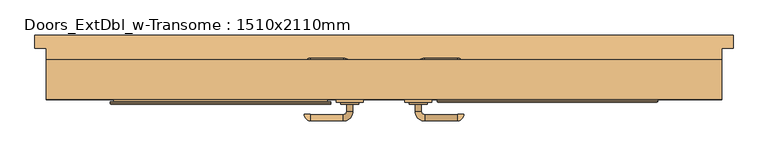
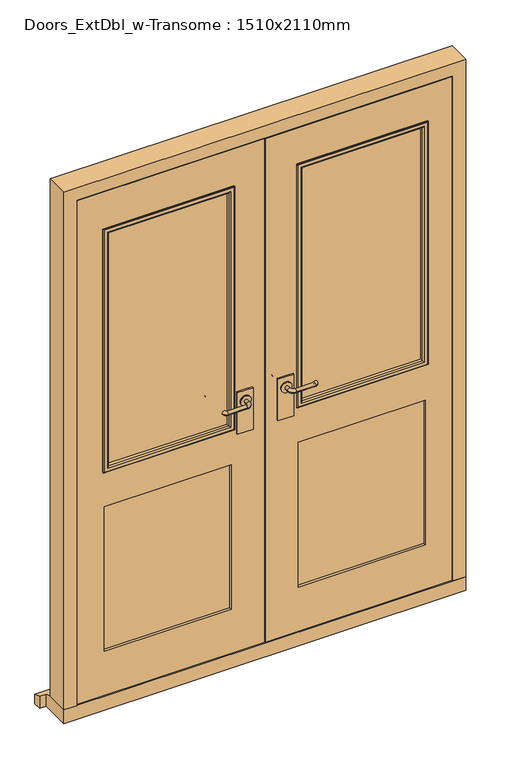
"""IFC4 building model written with IfcOpenShell, lengths in millimetres: door geometry, Doors_ExtDbl_w-Transome : 1510x2110mm."""

from ifc_helpers import new_model, si_unit, point, frame, frame_2d, origin, place, context, project, spatial, polyline, circle_curve, ellipse_curve, trimmed, segment, composite_curve, outline, extrude, faceted_brep, source, transform, mapped, element, save
from ifc_brep_helpers import plane_surface, cylinder_surface, revolved_surface, advanced_brep


def doors_extdbl_w_transome_1510x2110mm_726bfd0a(model_context):
    return source(origin(), model_context, "Body", "SolidModel", [
        extrude(outline(composite_curve([segment(trimmed(circle_curve(frame_2d((1050.0, -76.5)), 20.0), [point((1050.0, -56.5))], [point((1050.0, -96.5))], False, "CARTESIAN"), True, "CONTINUOUS"), segment(trimmed(circle_curve(frame_2d((1050.0, -76.5)), 20.0), [point((1050.0, -96.5))], [point((1050.0, -56.5))], False, "CARTESIAN"), True, "CONTINUOUS")], self_intersect=False)), frame((0.0, 30.4570105, 0.0), z_axis=(0.0, 1.0, 0.0), x_axis=(0.0, 0.0, 1.0)), (0.0, 0.0, 1.0), 4.5929895),
        advanced_brep(
        [(-83.5, 30.4570105, 1050.0), (-69.5, 30.4570105, 1050.0), (-83.5, 15.05, 1050.0), (-69.5, 15.05, 1050.0), (-91.5, -6.95, 1050.0), (-91.5, 7.05, 1050.0), (-163.5, 7.05, 1050.0), (-163.5, -6.95, 1050.0), (-164.5, 8.05, 1050.0), (-178.5, 8.05, 1050.0)],
        [
            (0, 1, circle_curve(frame((-76.5, 30.4570105, 1050.0), z_axis=(0.0, 1.0, 0.0), x_axis=(1.0, 0.0, 0.0)), 7.0)),
            (1, 0, circle_curve(frame((-76.5, 30.4570105, 1050.0), z_axis=(0.0, 1.0, 0.0), x_axis=(1.0, 0.0, 0.0)), 7.0)),
            (0, 2),
            (2, 3, circle_curve(frame((-76.5, 15.05, 1050.0), z_axis=(0.0, 1.0, 0.0), x_axis=(1.0, 0.0, 0.0)), 7.0)),
            (3, 1),
            (3, 2, circle_curve(frame((-76.5, 15.05, 1050.0), z_axis=(0.0, 1.0, 0.0), x_axis=(1.0, 0.0, 0.0)), 7.0)),
            (4, 3, circle_curve(frame((-91.5, 15.05, 1050.0), z_axis=(0.0, 0.0, 1.0), x_axis=(1.0, 0.0, 0.0)), 22.0)),
            (2, 5, circle_curve(frame((-91.5, 15.05, 1050.0), z_axis=(0.0, 0.0, -1.0), x_axis=(1.0, 0.0, 0.0)), 8.0)),
            (5, 4, circle_curve(frame((-91.5, 0.05, 1050.0), z_axis=(1.0, 0.0, 0.0), x_axis=(0.0, -1.0, 0.0)), 7.0)),
            (4, 5, circle_curve(frame((-91.5, 0.05, 1050.0), z_axis=(1.0, 0.0, 0.0), x_axis=(0.0, -1.0, 0.0)), 7.0)),
            (5, 6),
            (6, 7, circle_curve(frame((-163.5, 0.05, 1050.0), z_axis=(1.0, 0.0, 0.0), x_axis=(0.0, -1.0, 0.0)), 7.0)),
            (7, 4),
            (7, 6, circle_curve(frame((-163.5, 0.05, 1050.0), z_axis=(1.0, 0.0, 0.0), x_axis=(0.0, -1.0, 0.0)), 7.0)),
            (8, 9, circle_curve(frame((-171.5, 8.05, 1050.0), z_axis=(0.0, 1.0, 0.0), x_axis=(-1.0, 0.0, 0.0)), 7.0)),
            (9, 8, circle_curve(frame((-171.5, 8.05, 1050.0), z_axis=(0.0, 1.0, 0.0), x_axis=(-1.0, 0.0, 0.0)), 7.0)),
            (9, 7, circle_curve(frame((-163.5, 8.05, 1050.0), z_axis=(0.0, 0.0, 1.0), x_axis=(0.0, -1.0, 0.0)), 15.0)),
            (6, 8, circle_curve(frame((-163.5, 8.05, 1050.0), z_axis=(0.0, 0.0, -1.0), x_axis=(0.0, -1.0, 0.0)), 1.0)),
        ],
        [
            plane_surface(frame((-76.5, 30.4570105, 1050.0), z_axis=(0.0, 1.0, 0.0), x_axis=(0.0, 0.0, 1.0))),
            cylinder_surface(frame((-76.5, 30.4570105, 1050.0), z_axis=(0.0, 1.0, 0.0), x_axis=(1.0, 0.0, 0.0)), 7.0),
            revolved_surface(trimmed(ellipse_curve(frame((-76.5, 15.05, 1050.0), z_axis=(0.0, 1.0, 0.0), x_axis=(1.0, 0.0, 0.0)), 7.0, 7.0), [point((-83.5, 15.05, 1050.0))], [point((-69.5, 15.05, 1050.0))], True, "CARTESIAN"), (-91.5, 15.05, 1050.0), (0.0, 0.0, -1.0)),
            revolved_surface(trimmed(ellipse_curve(frame((-76.5, 15.05, 1050.0), z_axis=(0.0, 1.0, 0.0), x_axis=(1.0, 0.0, 0.0)), 7.0, 7.0), [point((-69.5, 15.05, 1050.0))], [point((-83.5, 15.05, 1050.0))], True, "CARTESIAN"), (-91.5, 15.05, 1050.0), (0.0, 0.0, -1.0)),
            cylinder_surface(frame((-91.5, 0.05, 1050.0), z_axis=(1.0, 0.0, 0.0), x_axis=(0.0, -1.0, 0.0)), 7.0),
            plane_surface(frame((-171.5, 8.05, 1050.0), z_axis=(0.0, 1.0, 0.0), x_axis=(0.0, 0.0, 1.0))),
            revolved_surface(trimmed(ellipse_curve(frame((-163.5, 0.05, 1050.0), z_axis=(1.0, 0.0, 0.0), x_axis=(0.0, -1.0, 0.0)), 7.0, 7.0), [point((-163.5, 7.05, 1050.0))], [point((-163.5, -6.95, 1050.0))], True, "CARTESIAN"), (-163.5, 8.05, 1050.0), (0.0, 0.0, -1.0)),
            revolved_surface(trimmed(ellipse_curve(frame((-163.5, 0.05, 1050.0), z_axis=(1.0, 0.0, 0.0), x_axis=(0.0, -1.0, 0.0)), 7.0, 7.0), [point((-163.5, -6.95, 1050.0))], [point((-163.5, 7.05, 1050.0))], True, "CARTESIAN"), (-163.5, 8.05, 1050.0), (0.0, 0.0, -1.0)),
        ],
        [
            (0, [[1, 2]]),
            (1, [[-1, 3, 4, 5]]),
            (1, [[-2, -5, 6, -3]]),
            (2, [[7, -4, 8, 9]]),
            (3, [[-8, -6, -7, 10]]),
            (4, [[-9, 11, 12, 13]]),
            (4, [[-10, -13, 14, -11]]),
            (5, [[15, 16]]),
            (6, [[17, -12, 18, -16]]),
            (7, [[-18, -14, -17, -15]]),
        ],
    ),
        extrude(outline(polyline([(-106.5, 41.05), (-46.5, 41.05), (-46.5, 35.05), (-106.5, 35.05), (-106.5, 41.05)])), frame((0.0, 0.0, 925.0), z_axis=(0.0, 0.0, 1.0), x_axis=(1.0, 0.0, 0.0)), (0.0, 0.0, 1.0), 165.0),
        extrude(outline(composite_curve([segment(trimmed(circle_curve(frame_2d((1050.0, 76.5)), 20.0), [point((1050.0, 56.5))], [point((1050.0, 96.5))], False, "CARTESIAN"), True, "CONTINUOUS"), segment(trimmed(circle_curve(frame_2d((1050.0, 76.5)), 20.0), [point((1050.0, 96.5))], [point((1050.0, 56.5))], False, "CARTESIAN"), True, "CONTINUOUS")], self_intersect=False)), frame((0.0, 30.4570105, 0.0), z_axis=(0.0, 1.0, 0.0), x_axis=(0.0, 0.0, 1.0)), (0.0, 0.0, 1.0), 4.5929895),
        advanced_brep(
        [(83.5, 30.4570105, 1050.0), (69.5, 30.4570105, 1050.0), (69.5, 15.05, 1050.0), (83.5, 15.05, 1050.0), (91.5, -6.95, 1050.0), (91.5, 7.05, 1050.0), (163.5, -6.95, 1050.0), (163.5, 7.05, 1050.0), (164.5, 8.05, 1050.0), (178.5, 8.05, 1050.0)],
        [
            (0, 1, circle_curve(frame((76.5, 30.4570105, 1050.0), z_axis=(0.0, 1.0, 0.0), x_axis=(-1.0, 0.0, 0.0)), 7.0)),
            (1, 0, circle_curve(frame((76.5, 30.4570105, 1050.0), z_axis=(0.0, 1.0, 0.0), x_axis=(-1.0, 0.0, 0.0)), 7.0)),
            (1, 2),
            (2, 3, circle_curve(frame((76.5, 15.05, 1050.0), z_axis=(0.0, 1.0, 0.0), x_axis=(-1.0, 0.0, 0.0)), 7.0)),
            (3, 0),
            (3, 2, circle_curve(frame((76.5, 15.05, 1050.0), z_axis=(0.0, 1.0, 0.0), x_axis=(-1.0, 0.0, 0.0)), 7.0)),
            (4, 5, circle_curve(frame((91.5, 0.05, 1050.0), z_axis=(-1.0, 0.0, 0.0), x_axis=(0.0, -1.0, 0.0)), 7.0)),
            (5, 3, circle_curve(frame((91.5, 15.05, 1050.0), z_axis=(0.0, 0.0, -1.0), x_axis=(-1.0, 0.0, 0.0)), 8.0)),
            (2, 4, circle_curve(frame((91.5, 15.05, 1050.0), z_axis=(0.0, 0.0, 1.0), x_axis=(-1.0, 0.0, 0.0)), 22.0)),
            (5, 4, circle_curve(frame((91.5, 0.05, 1050.0), z_axis=(-1.0, 0.0, 0.0), x_axis=(0.0, -1.0, 0.0)), 7.0)),
            (4, 6),
            (6, 7, circle_curve(frame((163.5, 0.05, 1050.0), z_axis=(-1.0, 0.0, 0.0), x_axis=(0.0, -1.0, 0.0)), 7.0)),
            (7, 5),
            (7, 6, circle_curve(frame((163.5, 0.05, 1050.0), z_axis=(-1.0, 0.0, 0.0), x_axis=(0.0, -1.0, 0.0)), 7.0)),
            (8, 9, circle_curve(frame((171.5, 8.05, 1050.0), z_axis=(0.0, 1.0, 0.0), x_axis=(1.0, 0.0, 0.0)), 7.0)),
            (9, 8, circle_curve(frame((171.5, 8.05, 1050.0), z_axis=(0.0, 1.0, 0.0), x_axis=(1.0, 0.0, 0.0)), 7.0)),
            (8, 7, circle_curve(frame((163.5, 8.05, 1050.0), z_axis=(0.0, 0.0, -1.0), x_axis=(0.0, -1.0, 0.0)), 1.0)),
            (6, 9, circle_curve(frame((163.5, 8.05, 1050.0), z_axis=(0.0, 0.0, 1.0), x_axis=(0.0, -1.0, 0.0)), 15.0)),
        ],
        [
            plane_surface(frame((76.5, 30.4570105, 1050.0), z_axis=(0.0, 1.0, 0.0), x_axis=(0.0, 0.0, 1.0))),
            cylinder_surface(frame((76.5, 30.4570105, 1050.0), z_axis=(0.0, 1.0, 0.0), x_axis=(-1.0, 0.0, 0.0)), 7.0),
            revolved_surface(trimmed(ellipse_curve(frame((76.5, 15.05, 1050.0), z_axis=(0.0, -1.0, 0.0), x_axis=(-1.0, 0.0, 0.0)), 7.0, 7.0), [point((83.5, 15.05, 1050.0))], [point((69.5, 15.05, 1050.0))], True, "CARTESIAN"), (91.5, 15.05, 1050.0), (0.0, 0.0, -1.0)),
            revolved_surface(trimmed(ellipse_curve(frame((76.5, 15.05, 1050.0), z_axis=(0.0, -1.0, 0.0), x_axis=(-1.0, 0.0, 0.0)), 7.0, 7.0), [point((69.5, 15.05, 1050.0))], [point((83.5, 15.05, 1050.0))], True, "CARTESIAN"), (91.5, 15.05, 1050.0), (0.0, 0.0, -1.0)),
            cylinder_surface(frame((91.5, 0.05, 1050.0), z_axis=(-1.0, 0.0, 0.0), x_axis=(0.0, -1.0, 0.0)), 7.0),
            plane_surface(frame((171.5, 8.05, 1050.0), z_axis=(0.0, 1.0, 0.0), x_axis=(0.0, 0.0, 1.0))),
            revolved_surface(trimmed(ellipse_curve(frame((163.5, 0.05, 1050.0), z_axis=(1.0, 0.0, 0.0), x_axis=(0.0, -1.0, 0.0)), 7.0, 7.0), [point((163.5, 7.05, 1050.0))], [point((163.5, -6.95, 1050.0))], True, "CARTESIAN"), (163.5, 8.05, 1050.0), (0.0, 0.0, -1.0)),
            revolved_surface(trimmed(ellipse_curve(frame((163.5, 0.05, 1050.0), z_axis=(1.0, 0.0, 0.0), x_axis=(0.0, -1.0, 0.0)), 7.0, 7.0), [point((163.5, -6.95, 1050.0))], [point((163.5, 7.05, 1050.0))], True, "CARTESIAN"), (163.5, 8.05, 1050.0), (0.0, 0.0, -1.0)),
        ],
        [
            (0, [[1, 2]]),
            (1, [[3, 4, 5, -2]]),
            (1, [[-5, 6, -3, -1]]),
            (2, [[7, 8, -4, 9]]),
            (3, [[10, -9, -6, -8]]),
            (4, [[11, 12, 13, -7]]),
            (4, [[-13, 14, -11, -10]]),
            (5, [[15, 16]]),
            (6, [[-15, 17, -12, 18]]),
            (7, [[-16, -18, -14, -17]]),
        ],
    ),
        extrude(outline(polyline([(106.5, 41.05), (106.5, 35.05), (46.5, 35.05), (46.5, 41.05), (106.5, 41.05)])), frame((0.0, 0.0, 925.0), z_axis=(0.0, 0.0, 1.0), x_axis=(1.0, 0.0, 0.0)), (0.0, 0.0, 1.0), 165.0),
        extrude(outline(composite_curve([segment(trimmed(circle_curve(frame_2d((1050.0, -76.5)), 20.0), [point((1050.0, -56.5))], [point((1050.0, -96.5))], False, "CARTESIAN"), True, "CONTINUOUS"), segment(trimmed(circle_curve(frame_2d((1050.0, -76.5)), 20.0), [point((1050.0, -96.5))], [point((1050.0, -56.5))], False, "CARTESIAN"), True, "CONTINUOUS")], self_intersect=False)), frame((0.0, 91.05, 0.0), z_axis=(0.0, 1.0, 0.0), x_axis=(0.0, 0.0, 1.0)), (0.0, 0.0, 1.0), 4.5929895),
        advanced_brep(
        [(-83.5, 95.6429895, 1050.0), (-69.5, 95.6429895, 1050.0), (-69.5, 111.05, 1050.0), (-83.5, 111.05, 1050.0), (-91.5, 133.05, 1050.0), (-91.5, 119.05, 1050.0), (-163.5, 133.05, 1050.0), (-163.5, 119.05, 1050.0), (-164.5, 118.05, 1050.0), (-178.5, 118.05, 1050.0)],
        [
            (0, 1, circle_curve(frame((-76.5, 95.6429895, 1050.0), z_axis=(0.0, -1.0, 0.0), x_axis=(1.0, 0.0, 0.0)), 7.0)),
            (1, 0, circle_curve(frame((-76.5, 95.6429895, 1050.0), z_axis=(0.0, -1.0, 0.0), x_axis=(1.0, 0.0, 0.0)), 7.0)),
            (1, 2),
            (2, 3, circle_curve(frame((-76.5, 111.05, 1050.0), z_axis=(0.0, -1.0, 0.0), x_axis=(1.0, 0.0, 0.0)), 7.0)),
            (3, 0),
            (3, 2, circle_curve(frame((-76.5, 111.05, 1050.0), z_axis=(0.0, -1.0, 0.0), x_axis=(1.0, 0.0, 0.0)), 7.0)),
            (4, 5, circle_curve(frame((-91.5, 126.05, 1050.0), z_axis=(1.0, 0.0, 0.0), x_axis=(0.0, 1.0, 0.0)), 7.0)),
            (5, 3, circle_curve(frame((-91.5, 111.05, 1050.0), z_axis=(0.0, 0.0, -1.0), x_axis=(1.0, 0.0, 0.0)), 8.0)),
            (2, 4, circle_curve(frame((-91.5, 111.05, 1050.0), z_axis=(0.0, 0.0, 1.0), x_axis=(1.0, 0.0, 0.0)), 22.0)),
            (5, 4, circle_curve(frame((-91.5, 126.05, 1050.0), z_axis=(1.0, 0.0, 0.0), x_axis=(0.0, 1.0, 0.0)), 7.0)),
            (4, 6),
            (6, 7, circle_curve(frame((-163.5, 126.05, 1050.0), z_axis=(1.0, 0.0, 0.0), x_axis=(0.0, 1.0, 0.0)), 7.0)),
            (7, 5),
            (7, 6, circle_curve(frame((-163.5, 126.05, 1050.0), z_axis=(1.0, 0.0, 0.0), x_axis=(0.0, 1.0, 0.0)), 7.0)),
            (8, 9, circle_curve(frame((-171.5, 118.05, 1050.0), z_axis=(0.0, -1.0, 0.0), x_axis=(-1.0, 0.0, 0.0)), 7.0)),
            (9, 8, circle_curve(frame((-171.5, 118.05, 1050.0), z_axis=(0.0, -1.0, 0.0), x_axis=(-1.0, 0.0, 0.0)), 7.0)),
            (8, 7, circle_curve(frame((-163.5, 118.05, 1050.0), z_axis=(0.0, 0.0, -1.0), x_axis=(0.0, 1.0, 0.0)), 1.0)),
            (6, 9, circle_curve(frame((-163.5, 118.05, 1050.0), z_axis=(0.0, 0.0, 1.0), x_axis=(0.0, 1.0, 0.0)), 15.0)),
        ],
        [
            plane_surface(frame((-76.5, 95.6429895, 1050.0), z_axis=(0.0, -1.0, 0.0), x_axis=(0.0, 0.0, 1.0))),
            cylinder_surface(frame((-76.5, 95.6429895, 1050.0), z_axis=(0.0, -1.0, 0.0), x_axis=(1.0, 0.0, 0.0)), 7.0),
            revolved_surface(trimmed(ellipse_curve(frame((-76.5, 111.05, 1050.0), z_axis=(0.0, 1.0, 0.0), x_axis=(1.0, 0.0, 0.0)), 7.0, 7.0), [point((-83.5, 111.05, 1050.0))], [point((-69.5, 111.05, 1050.0))], True, "CARTESIAN"), (-91.5, 111.05, 1050.0), (0.0, 0.0, -1.0)),
            revolved_surface(trimmed(ellipse_curve(frame((-76.5, 111.05, 1050.0), z_axis=(0.0, 1.0, 0.0), x_axis=(1.0, 0.0, 0.0)), 7.0, 7.0), [point((-69.5, 111.05, 1050.0))], [point((-83.5, 111.05, 1050.0))], True, "CARTESIAN"), (-91.5, 111.05, 1050.0), (0.0, 0.0, -1.0)),
            cylinder_surface(frame((-91.5, 126.05, 1050.0), z_axis=(1.0, 0.0, 0.0), x_axis=(0.0, 1.0, 0.0)), 7.0),
            plane_surface(frame((-171.5, 118.05, 1050.0), z_axis=(0.0, -1.0, 0.0), x_axis=(0.0, 0.0, 1.0))),
            revolved_surface(trimmed(ellipse_curve(frame((-163.5, 126.05, 1050.0), z_axis=(-1.0, 0.0, 0.0), x_axis=(0.0, 1.0, 0.0)), 7.0, 7.0), [point((-163.5, 119.05, 1050.0))], [point((-163.5, 133.05, 1050.0))], True, "CARTESIAN"), (-163.5, 118.05, 1050.0), (0.0, 0.0, -1.0)),
            revolved_surface(trimmed(ellipse_curve(frame((-163.5, 126.05, 1050.0), z_axis=(-1.0, 0.0, 0.0), x_axis=(0.0, 1.0, 0.0)), 7.0, 7.0), [point((-163.5, 133.05, 1050.0))], [point((-163.5, 119.05, 1050.0))], True, "CARTESIAN"), (-163.5, 118.05, 1050.0), (0.0, 0.0, -1.0)),
        ],
        [
            (0, [[1, 2]]),
            (1, [[3, 4, 5, -2]]),
            (1, [[-5, 6, -3, -1]]),
            (2, [[7, 8, -4, 9]]),
            (3, [[10, -9, -6, -8]]),
            (4, [[11, 12, 13, -7]]),
            (4, [[-13, 14, -11, -10]]),
            (5, [[15, 16]]),
            (6, [[-15, 17, -12, 18]]),
            (7, [[-16, -18, -14, -17]]),
        ],
    ),
        extrude(outline(polyline([(-106.5, 85.05), (-106.5, 91.05), (-46.5, 91.05), (-46.5, 85.05), (-106.5, 85.05)])), frame((0.0, 0.0, 925.0), z_axis=(0.0, 0.0, 1.0), x_axis=(1.0, 0.0, 0.0)), (0.0, 0.0, 1.0), 165.0),
        extrude(outline(composite_curve([segment(trimmed(circle_curve(frame_2d((1050.0, 76.5)), 20.0), [point((1050.0, 56.5))], [point((1050.0, 96.5))], False, "CARTESIAN"), True, "CONTINUOUS"), segment(trimmed(circle_curve(frame_2d((1050.0, 76.5)), 20.0), [point((1050.0, 96.5))], [point((1050.0, 56.5))], False, "CARTESIAN"), True, "CONTINUOUS")], self_intersect=False)), frame((0.0, 91.05, 0.0), z_axis=(0.0, 1.0, 0.0), x_axis=(0.0, 0.0, 1.0)), (0.0, 0.0, 1.0), 4.5929895),
        advanced_brep(
        [(83.5, 95.6429895, 1050.0), (69.5, 95.6429895, 1050.0), (83.5, 111.05, 1050.0), (69.5, 111.05, 1050.0), (91.5, 133.05, 1050.0), (91.5, 119.05, 1050.0), (163.5, 119.05, 1050.0), (163.5, 133.05, 1050.0), (164.5, 118.05, 1050.0), (178.5, 118.05, 1050.0)],
        [
            (0, 1, circle_curve(frame((76.5, 95.6429895, 1050.0), z_axis=(0.0, -1.0, 0.0), x_axis=(-1.0, 0.0, 0.0)), 7.0)),
            (1, 0, circle_curve(frame((76.5, 95.6429895, 1050.0), z_axis=(0.0, -1.0, 0.0), x_axis=(-1.0, 0.0, 0.0)), 7.0)),
            (0, 2),
            (2, 3, circle_curve(frame((76.5, 111.05, 1050.0), z_axis=(0.0, -1.0, 0.0), x_axis=(-1.0, 0.0, 0.0)), 7.0)),
            (3, 1),
            (3, 2, circle_curve(frame((76.5, 111.05, 1050.0), z_axis=(0.0, -1.0, 0.0), x_axis=(-1.0, 0.0, 0.0)), 7.0)),
            (4, 3, circle_curve(frame((91.5, 111.05, 1050.0), z_axis=(0.0, 0.0, 1.0), x_axis=(-1.0, 0.0, 0.0)), 22.0)),
            (2, 5, circle_curve(frame((91.5, 111.05, 1050.0), z_axis=(0.0, 0.0, -1.0), x_axis=(-1.0, 0.0, 0.0)), 8.0)),
            (5, 4, circle_curve(frame((91.5, 126.05, 1050.0), z_axis=(-1.0, 0.0, 0.0), x_axis=(0.0, 1.0, 0.0)), 7.0)),
            (4, 5, circle_curve(frame((91.5, 126.05, 1050.0), z_axis=(-1.0, 0.0, 0.0), x_axis=(0.0, 1.0, 0.0)), 7.0)),
            (5, 6),
            (6, 7, circle_curve(frame((163.5, 126.05, 1050.0), z_axis=(-1.0, 0.0, 0.0), x_axis=(0.0, 1.0, 0.0)), 7.0)),
            (7, 4),
            (7, 6, circle_curve(frame((163.5, 126.05, 1050.0), z_axis=(-1.0, 0.0, 0.0), x_axis=(0.0, 1.0, 0.0)), 7.0)),
            (8, 9, circle_curve(frame((171.5, 118.05, 1050.0), z_axis=(0.0, -1.0, 0.0), x_axis=(1.0, 0.0, 0.0)), 7.0)),
            (9, 8, circle_curve(frame((171.5, 118.05, 1050.0), z_axis=(0.0, -1.0, 0.0), x_axis=(1.0, 0.0, 0.0)), 7.0)),
            (9, 7, circle_curve(frame((163.5, 118.05, 1050.0), z_axis=(0.0, 0.0, 1.0), x_axis=(0.0, 1.0, 0.0)), 15.0)),
            (6, 8, circle_curve(frame((163.5, 118.05, 1050.0), z_axis=(0.0, 0.0, -1.0), x_axis=(0.0, 1.0, 0.0)), 1.0)),
        ],
        [
            plane_surface(frame((76.5, 95.6429895, 1050.0), z_axis=(0.0, -1.0, 0.0), x_axis=(0.0, 0.0, 1.0))),
            cylinder_surface(frame((76.5, 95.6429895, 1050.0), z_axis=(0.0, -1.0, 0.0), x_axis=(-1.0, 0.0, 0.0)), 7.0),
            revolved_surface(trimmed(ellipse_curve(frame((76.5, 111.05, 1050.0), z_axis=(0.0, -1.0, 0.0), x_axis=(-1.0, 0.0, 0.0)), 7.0, 7.0), [point((83.5, 111.05, 1050.0))], [point((69.5, 111.05, 1050.0))], True, "CARTESIAN"), (91.5, 111.05, 1050.0), (0.0, 0.0, -1.0)),
            revolved_surface(trimmed(ellipse_curve(frame((76.5, 111.05, 1050.0), z_axis=(0.0, -1.0, 0.0), x_axis=(-1.0, 0.0, 0.0)), 7.0, 7.0), [point((69.5, 111.05, 1050.0))], [point((83.5, 111.05, 1050.0))], True, "CARTESIAN"), (91.5, 111.05, 1050.0), (0.0, 0.0, -1.0)),
            cylinder_surface(frame((91.5, 126.05, 1050.0), z_axis=(-1.0, 0.0, 0.0), x_axis=(0.0, 1.0, 0.0)), 7.0),
            plane_surface(frame((171.5, 118.05, 1050.0), z_axis=(0.0, -1.0, 0.0), x_axis=(0.0, 0.0, 1.0))),
            revolved_surface(trimmed(ellipse_curve(frame((163.5, 126.05, 1050.0), z_axis=(-1.0, 0.0, 0.0), x_axis=(0.0, 1.0, 0.0)), 7.0, 7.0), [point((163.5, 119.05, 1050.0))], [point((163.5, 133.05, 1050.0))], True, "CARTESIAN"), (163.5, 118.05, 1050.0), (0.0, 0.0, -1.0)),
            revolved_surface(trimmed(ellipse_curve(frame((163.5, 126.05, 1050.0), z_axis=(-1.0, 0.0, 0.0), x_axis=(0.0, 1.0, 0.0)), 7.0, 7.0), [point((163.5, 133.05, 1050.0))], [point((163.5, 119.05, 1050.0))], True, "CARTESIAN"), (163.5, 118.05, 1050.0), (0.0, 0.0, -1.0)),
        ],
        [
            (0, [[1, 2]]),
            (1, [[-1, 3, 4, 5]]),
            (1, [[-2, -5, 6, -3]]),
            (2, [[7, -4, 8, 9]]),
            (3, [[-8, -6, -7, 10]]),
            (4, [[-9, 11, 12, 13]]),
            (4, [[-10, -13, 14, -11]]),
            (5, [[15, 16]]),
            (6, [[17, -12, 18, -16]]),
            (7, [[-18, -14, -17, -15]]),
        ],
    ),
        extrude(outline(polyline([(106.5, 85.05), (46.5, 85.05), (46.5, 91.05), (106.5, 91.05), (106.5, 85.05)])), frame((0.0, 0.0, 925.0), z_axis=(0.0, 0.0, 1.0), x_axis=(1.0, 0.0, 0.0)), (0.0, 0.0, 1.0), 165.0),
        faceted_brep([(684.5, 130.05, 54.5), (755.0, 130.05, 54.5), (755.0, 41.05, 54.5), (706.5, 41.05, 54.5), (706.5, 88.05, 54.5), (684.5, 88.05, 54.5), (684.5, 130.05, 2039.5), (-684.5, 130.05, 2039.5), (-684.5, 130.05, 54.5), (-755.0, 130.05, 54.5), (-755.0, 130.05, 2110.0), (755.0, 130.05, 2110.0), (755.0, 41.05, 2110.0), (-755.0, 41.05, 2110.0), (-755.0, 41.05, 54.5), (-706.5, 41.05, 54.5), (-706.5, 41.05, 2061.5), (706.5, 41.05, 2061.5), (706.5, 88.05, 2061.5), (-706.5, 88.05, 2061.5), (-706.5, 88.05, 54.5), (-684.5, 88.05, 54.5), (-684.5, 88.05, 2039.5), (684.5, 88.05, 2039.5)], [[[0, 1, 2, 3, 4, 5]], [[1, 0, 6, 7, 8, 9, 10, 11]], [[2, 1, 11, 12]], [[3, 2, 12, 13, 14, 15, 16, 17]], [[4, 3, 17, 18]], [[5, 4, 18, 19, 20, 21, 22, 23]], [[0, 5, 23, 6]], [[7, 22, 21, 8]], [[8, 21, 20, 15, 14, 9]], [[13, 10, 9, 14]], [[19, 16, 15, 20]], [[12, 11, 10, 13]], [[18, 17, 16, 19]], [[6, 23, 22, 7]]]),
        extrude(outline(polyline([(58.5, 703.5), (2058.5, 703.5), (2058.5, 1.5), (58.5, 1.5), (58.5, 703.5)]), holes=[polyline([(1908.5, 603.5), (958.5, 603.5), (958.5, 126.5), (1908.5, 126.5), (1908.5, 603.5)]), polyline([(808.5, 126.5), (808.5, 603.5), (233.5, 603.5), (233.5, 126.5), (808.5, 126.5)])]), frame((0.0, 41.05, 0.0), z_axis=(0.0, 1.0, 0.0), x_axis=(0.0, 0.0, 1.0)), (0.0, 0.0, 1.0), 44.0),
        extrude(outline(polyline([(58.5, -703.5), (58.5, -1.5), (2058.5, -1.5), (2058.5, -703.5), (58.5, -703.5)]), holes=[polyline([(1908.5, -126.5), (958.5, -126.5), (958.5, -603.5), (1908.5, -603.5), (1908.5, -126.5)]), polyline([(808.5, -603.5), (808.5, -126.5), (233.5, -126.5), (233.5, -603.5), (808.5, -603.5)])]), frame((0.0, 41.05, 0.0), z_axis=(0.0, 1.0, 0.0), x_axis=(0.0, 0.0, 1.0)), (0.0, 0.0, 1.0), 44.0),
        faceted_brep([(780.0, 185.05, 0.0), (780.0, 185.05, 38.5947221), (780.0, 155.05, 47.2703282), (780.0, 155.05, 0.0), (-780.0, 185.05, 38.5947221), (-780.0, 185.05, 0.0), (-780.0, 155.05, 0.0), (-780.0, 155.05, 47.2703282), (755.0, 155.05, 0.0), (755.0, 41.05, 0.0), (-755.0, 41.05, 0.0), (-755.0, 155.05, 0.0), (-755.0, 155.05, 47.2703282), (-755.0, 130.05, 54.5), (755.0, 130.05, 54.5), (755.0, 155.05, 47.2703282), (-755.0, 41.05, 54.5), (755.0, 41.05, 54.5)], [[[0, 1, 2, 3]], [[4, 5, 6, 7]], [[5, 0, 3, 8, 9, 10, 11, 6]], [[1, 0, 5, 4]], [[1, 4, 7, 12, 13, 14, 15, 2]], [[13, 16, 17, 14]], [[16, 10, 9, 17]], [[12, 11, 10, 16, 13]], [[11, 12, 7, 6]], [[8, 15, 14, 17, 9]], [[15, 8, 3, 2]]]),
        extrude(outline(polyline([(126.5, 75.05), (601.9390207, 75.05), (601.9390207, 51.05), (126.5, 51.05), (126.5, 75.05)])), frame((0.0, 0.0, 958.5), z_axis=(0.0, 0.0, 1.0), x_axis=(1.0, 0.0, 0.0)), (0.0, 0.0, 1.0), 950.0),
        extrude(outline(polyline([(-603.5, 75.05), (-126.5, 75.05), (-126.5, 51.05), (-603.5, 51.05), (-603.5, 75.05)])), frame((0.0, 0.0, 958.5), z_axis=(0.0, 0.0, 1.0), x_axis=(1.0, 0.0, 0.0)), (0.0, 0.0, 1.0), 950.0),
        extrude(outline(polyline([(126.5, 75.05), (603.5, 75.05), (603.5, 51.05), (126.5, 51.05), (126.5, 75.05)])), frame((0.0, 0.0, 233.5), z_axis=(0.0, 0.0, 1.0), x_axis=(1.0, 0.0, 0.0)), (0.0, 0.0, 1.0), 575.0),
        extrude(outline(polyline([(-603.5, 75.05), (-126.5, 75.05), (-126.5, 51.05), (-603.5, 51.05), (-603.5, 75.05)])), frame((0.0, 0.0, 233.5), z_axis=(0.0, 0.0, 1.0), x_axis=(1.0, 0.0, 0.0)), (0.0, 0.0, 1.0), 575.0),
        advanced_brep(
        [(118.5, 89.05, 950.5), (118.5, 85.05, 950.5), (118.5, 85.05, 1916.5), (118.5, 89.05, 1916.5), (120.5, 91.05, 952.5), (120.5, 91.05, 1914.5), (138.5, 86.05, 970.5), (133.5, 91.05, 965.5), (133.5, 91.05, 1901.5), (138.5, 86.05, 1896.5), (138.5, 75.05, 970.5), (138.5, 75.05, 1896.5), (126.5, 85.05, 958.5), (126.5, 75.05, 958.5), (126.5, 75.05, 1908.5), (126.5, 85.05, 1908.5), (611.5, 85.05, 1916.5), (611.5, 89.05, 1916.5), (609.5, 91.05, 1914.5), (596.5, 91.05, 1901.5), (591.5, 86.05, 1896.5), (591.5, 75.05, 1896.5), (603.5, 75.05, 1908.5), (603.5, 85.05, 1908.5), (611.5, 85.05, 950.5), (611.5, 89.05, 950.5), (609.5, 91.05, 952.5), (596.5, 91.05, 965.5), (591.5, 86.05, 970.5), (591.5, 75.05, 970.5), (603.5, 75.05, 958.5), (603.5, 85.05, 958.5)],
        [
            (0, 1),
            (1, 2),
            (2, 3),
            (3, 0),
            (4, 0, ellipse_curve(frame((120.5, 89.05, 952.5), z_axis=(-0.7071067811865474, 0.0, 0.7071067811865476), x_axis=(-0.7071067811865475, 0.0, -0.7071067811865476)), 2.8284271, 2.0)),
            (3, 5, ellipse_curve(frame((120.5, 89.05, 1914.5), z_axis=(-0.7071067811865476, 0.0, -0.7071067811865474), x_axis=(0.7071067811865474, 0.0, -0.7071067811865477)), 2.8284271, 2.0)),
            (5, 4),
            (6, 7, ellipse_curve(frame((133.5, 86.05, 965.5), z_axis=(-0.7071067811865474, 0.0, 0.7071067811865476), x_axis=(-0.7071067811865475, 0.0, -0.7071067811865476)), 7.0710678, 5.0)),
            (7, 8),
            (8, 9, ellipse_curve(frame((133.5, 86.05, 1901.5), z_axis=(-0.7071067811865476, 0.0, -0.7071067811865474), x_axis=(0.7071067811865474, 0.0, -0.7071067811865477)), 7.0710678, 5.0)),
            (9, 6),
            (10, 6),
            (9, 11),
            (11, 10),
            (12, 13),
            (13, 14),
            (14, 15),
            (15, 12),
            (2, 16),
            (16, 17),
            (17, 3),
            (17, 18, ellipse_curve(frame((609.5, 89.05, 1914.5), z_axis=(-0.7071067811865472, 0.0, 0.7071067811865477), x_axis=(-0.7071067811865479, 0.0, -0.7071067811865471)), 2.8284271, 2.0)),
            (18, 5),
            (8, 19),
            (19, 20, ellipse_curve(frame((596.5, 86.05, 1901.5), z_axis=(-0.7071067811865472, 0.0, 0.7071067811865477), x_axis=(-0.7071067811865479, 0.0, -0.7071067811865471)), 7.0710678, 5.0)),
            (20, 9),
            (20, 21),
            (21, 11),
            (14, 22),
            (22, 23),
            (23, 15),
            (16, 24),
            (24, 25),
            (25, 17),
            (25, 26, ellipse_curve(frame((609.5, 89.05, 952.5), z_axis=(0.7071067811865478, 0.0, 0.7071067811865472), x_axis=(-0.7071067811865471, 0.0, 0.7071067811865478)), 2.8284271, 2.0)),
            (26, 18),
            (19, 27),
            (27, 28, ellipse_curve(frame((596.5, 86.05, 965.5), z_axis=(0.7071067811865478, 0.0, 0.7071067811865472), x_axis=(-0.7071067811865471, 0.0, 0.7071067811865478)), 7.0710678, 5.0)),
            (28, 20),
            (28, 29),
            (29, 21),
            (22, 30),
            (30, 31),
            (31, 23),
            (24, 1),
            (0, 25),
            (4, 26),
            (7, 27),
            (6, 28),
            (10, 29),
            (13, 30),
            (12, 31),
        ],
        [
            plane_surface(frame((118.5, 85.05, 950.5), z_axis=(-1.0, 0.0, 0.0), x_axis=(0.0, 0.0, 1.0))),
            cylinder_surface(frame((120.5, 89.05, 958.5), z_axis=(0.0, 0.0, -1.0), x_axis=(-1.0, 0.0, 0.0)), 2.0),
            cylinder_surface(frame((133.5, 86.05, 958.5), z_axis=(0.0, 0.0, -1.0), x_axis=(-1.0, 0.0, 0.0)), 5.0),
            plane_surface(frame((138.5, 86.05, 970.5), z_axis=(1.0, 0.0, 0.0), x_axis=(0.0, 0.0, 1.0))),
            plane_surface(frame((126.5, 75.05, 958.5), z_axis=(-1.0, 0.0, 0.0), x_axis=(0.0, 0.0, 1.0))),
            plane_surface(frame((118.5, 85.05, 1916.5), z_axis=(0.0, 0.0, 1.0), x_axis=(1.0, 0.0, 0.0))),
            cylinder_surface(frame((126.5, 89.05, 1914.5), z_axis=(-1.0, 0.0, 0.0), x_axis=(0.0, 0.0, 1.0)), 2.0),
            cylinder_surface(frame((126.5, 86.05, 1901.5), z_axis=(-1.0, 0.0, 0.0), x_axis=(0.0, 0.0, 1.0)), 5.0),
            plane_surface(frame((138.5, 86.05, 1896.5), z_axis=(0.0, 0.0, -1.0), x_axis=(1.0, 0.0, 0.0))),
            plane_surface(frame((126.5, 75.05, 1908.5), z_axis=(0.0, 0.0, 1.0), x_axis=(1.0, 0.0, 0.0))),
            plane_surface(frame((611.5, 85.05, 1916.5), z_axis=(1.0, 0.0, 0.0), x_axis=(0.0, 0.0, -1.0))),
            cylinder_surface(frame((609.5, 89.05, 1908.5), z_axis=(0.0, 0.0, 1.0), x_axis=(1.0, 0.0, 0.0)), 2.0),
            cylinder_surface(frame((596.5, 86.05, 1908.5), z_axis=(0.0, 0.0, 1.0), x_axis=(1.0, 0.0, 0.0)), 5.0),
            plane_surface(frame((591.5, 86.05, 1896.5), z_axis=(-1.0, 0.0, 0.0), x_axis=(0.0, 0.0, -1.0))),
            plane_surface(frame((603.5, 75.05, 1908.5), z_axis=(1.0, 0.0, 0.0), x_axis=(0.0, 0.0, -1.0))),
            plane_surface(frame((611.5, 85.05, 950.5), z_axis=(0.0, 0.0, -1.0), x_axis=(-1.0, 0.0, 0.0))),
            cylinder_surface(frame((603.5, 89.05, 952.5), z_axis=(1.0, 0.0, 0.0), x_axis=(0.0, 0.0, -1.0)), 2.0),
            plane_surface(frame((609.5, 91.05, 952.5), z_axis=(0.0, 1.0, 0.0), x_axis=(-1.0, 0.0, 0.0))),
            cylinder_surface(frame((603.5, 86.05, 965.5), z_axis=(1.0, 0.0, 0.0), x_axis=(0.0, 0.0, -1.0)), 5.0),
            plane_surface(frame((591.5, 86.05, 970.5), z_axis=(0.0, 0.0, 1.0), x_axis=(-1.0, 0.0, 0.0))),
            plane_surface(frame((591.5, 75.05, 970.5), z_axis=(0.0, -1.0, 0.0), x_axis=(-1.0, 0.0, 0.0))),
            plane_surface(frame((603.5, 75.05, 958.5), z_axis=(0.0, 0.0, -1.0), x_axis=(-1.0, 0.0, 0.0))),
            plane_surface(frame((603.5, 85.05, 958.5), z_axis=(0.0, -1.0, 0.0), x_axis=(-1.0, 0.0, 0.0))),
        ],
        [
            (0, [[1, 2, 3, 4]]),
            (1, [[5, -4, 6, 7]]),
            (2, [[8, 9, 10, 11]]),
            (3, [[12, -11, 13, 14]]),
            (4, [[15, 16, 17, 18]]),
            (5, [[-3, 19, 20, 21]]),
            (6, [[-6, -21, 22, 23]]),
            (7, [[-10, 24, 25, 26]]),
            (8, [[-13, -26, 27, 28]]),
            (9, [[-17, 29, 30, 31]]),
            (10, [[-20, 32, 33, 34]]),
            (11, [[-22, -34, 35, 36]]),
            (12, [[-25, 37, 38, 39]]),
            (13, [[-27, -39, 40, 41]]),
            (14, [[-30, 42, 43, 44]]),
            (15, [[-33, 45, -1, 46]]),
            (16, [[-35, -46, -5, 47]]),
            (17, [[-23, -36, -47, -7], [48, -37, -24, -9]]),
            (18, [[-38, -48, -8, 49]]),
            (19, [[-40, -49, -12, 50]]),
            (20, [[51, -42, -29, -16], [-28, -41, -50, -14]]),
            (21, [[-43, -51, -15, 52]]),
            (22, [[-45, -32, -19, -2], [-31, -44, -52, -18]]),
        ],
    ),
        advanced_brep(
        [(603.5, 51.05, 1908.5), (603.5, 41.05, 1908.5), (603.5, 41.05, 958.5), (603.5, 51.05, 958.5), (591.5, 40.05, 1896.5), (591.5, 51.05, 1896.5), (591.5, 51.05, 970.5), (591.5, 40.05, 970.5), (596.5, 35.05, 1901.5), (596.5, 35.05, 965.5), (611.5, 37.05, 1916.5), (609.5, 35.05, 1914.5), (609.5, 35.05, 952.5), (611.5, 37.05, 950.5), (611.5, 41.05, 1916.5), (611.5, 41.05, 950.5), (126.5, 41.05, 958.5), (126.5, 51.05, 958.5), (138.5, 51.05, 970.5), (138.5, 40.05, 970.5), (133.5, 35.05, 965.5), (120.5, 35.05, 952.5), (118.5, 37.05, 950.5), (118.5, 41.05, 950.5), (126.5, 41.05, 1908.5), (126.5, 51.05, 1908.5), (138.5, 51.05, 1896.5), (138.5, 40.05, 1896.5), (133.5, 35.05, 1901.5), (120.5, 35.05, 1914.5), (118.5, 37.05, 1916.5), (118.5, 41.05, 1916.5)],
        [
            (0, 1),
            (1, 2),
            (2, 3),
            (3, 0),
            (4, 5),
            (5, 6),
            (6, 7),
            (7, 4),
            (8, 4, ellipse_curve(frame((596.5, 40.05, 1901.5), z_axis=(0.7071067811865519, 0.0, -0.707106781186543), x_axis=(0.707106781186543, 0.0, 0.7071067811865521)), 7.0710678, 5.0)),
            (7, 9, ellipse_curve(frame((596.5, 40.05, 965.5), z_axis=(0.707106781186543, 0.0, 0.707106781186552), x_axis=(-0.707106781186552, 0.0, 0.707106781186543)), 7.0710678, 5.0)),
            (9, 8),
            (10, 11, ellipse_curve(frame((609.5, 37.05, 1914.5), z_axis=(0.7071067811865519, 0.0, -0.707106781186543), x_axis=(0.707106781186543, 0.0, 0.7071067811865521)), 2.8284271, 2.0)),
            (11, 12),
            (12, 13, ellipse_curve(frame((609.5, 37.05, 952.5), z_axis=(0.707106781186543, 0.0, 0.707106781186552), x_axis=(-0.707106781186552, 0.0, 0.707106781186543)), 2.8284271, 2.0)),
            (13, 10),
            (14, 10),
            (13, 15),
            (15, 14),
            (2, 16),
            (16, 17),
            (17, 3),
            (6, 18),
            (18, 19),
            (19, 7),
            (19, 20, ellipse_curve(frame((133.5, 40.05, 965.5), z_axis=(0.7071067811865519, 0.0, -0.707106781186543), x_axis=(0.7071067811865432, 0.0, 0.7071067811865517)), 7.0710678, 5.0)),
            (20, 9),
            (12, 21),
            (21, 22, ellipse_curve(frame((120.5, 37.05, 952.5), z_axis=(0.7071067811865519, 0.0, -0.707106781186543), x_axis=(0.7071067811865432, 0.0, 0.7071067811865517)), 2.8284271, 2.0)),
            (22, 13),
            (22, 23),
            (23, 15),
            (16, 24),
            (24, 25),
            (25, 17),
            (18, 26),
            (26, 27),
            (27, 19),
            (27, 28, ellipse_curve(frame((133.5, 40.05, 1901.5), z_axis=(-0.7071067811865431, 0.0, -0.7071067811865518), x_axis=(0.7071067811865517, 0.0, -0.7071067811865432)), 7.0710678, 5.0)),
            (28, 20),
            (21, 29),
            (29, 30, ellipse_curve(frame((120.5, 37.05, 1914.5), z_axis=(-0.7071067811865431, 0.0, -0.7071067811865518), x_axis=(0.7071067811865517, 0.0, -0.7071067811865432)), 2.8284271, 2.0)),
            (30, 22),
            (30, 31),
            (31, 23),
            (31, 14),
            (1, 24),
            (0, 25),
            (5, 26),
            (4, 27),
            (8, 28),
            (11, 29),
            (10, 30),
        ],
        [
            plane_surface(frame((603.5, 41.05, 1908.5), z_axis=(1.0, 0.0, 0.0), x_axis=(0.0, 0.0, -1.0))),
            plane_surface(frame((591.5, 51.05, 1896.5), z_axis=(-1.0, 0.0, 0.0), x_axis=(0.0, 0.0, -1.0))),
            cylinder_surface(frame((596.5, 40.05, 1908.5), z_axis=(0.0, 0.0, 1.0), x_axis=(1.0, 0.0, 0.0)), 5.0),
            cylinder_surface(frame((609.5, 37.05, 1908.5), z_axis=(0.0, 0.0, 1.0), x_axis=(1.0, 0.0, 0.0)), 2.0),
            plane_surface(frame((611.5, 37.05, 1916.5), z_axis=(1.0, 0.0, 0.0), x_axis=(0.0, 0.0, -1.0))),
            plane_surface(frame((603.5, 41.05, 958.5), z_axis=(0.0, 0.0, -1.0), x_axis=(-1.0, 0.0, 0.0))),
            plane_surface(frame((591.5, 51.05, 970.5), z_axis=(0.0, 0.0, 1.0), x_axis=(-1.0, 0.0, 0.0))),
            cylinder_surface(frame((603.5, 40.05, 965.5), z_axis=(1.0, 0.0, 0.0), x_axis=(0.0, 0.0, -1.0)), 5.0),
            cylinder_surface(frame((603.5, 37.05, 952.5), z_axis=(1.0, 0.0, 0.0), x_axis=(0.0, 0.0, -1.0)), 2.0),
            plane_surface(frame((611.5, 37.05, 950.5), z_axis=(0.0, 0.0, -1.0), x_axis=(-1.0, 0.0, 0.0))),
            plane_surface(frame((126.5, 41.05, 958.5), z_axis=(-1.0, 0.0, 0.0), x_axis=(0.0, 0.0, 1.0))),
            plane_surface(frame((138.5, 51.05, 970.5), z_axis=(1.0, 0.0, 0.0), x_axis=(0.0, 0.0, 1.0))),
            cylinder_surface(frame((133.5, 40.05, 958.5), z_axis=(0.0, 0.0, -1.0), x_axis=(-1.0, 0.0, 0.0)), 5.0),
            cylinder_surface(frame((120.5, 37.05, 958.5), z_axis=(0.0, 0.0, -1.0), x_axis=(-1.0, 0.0, 0.0)), 2.0),
            plane_surface(frame((118.5, 37.05, 950.5), z_axis=(-1.0, 0.0, 0.0), x_axis=(0.0, 0.0, 1.0))),
            plane_surface(frame((118.5, 41.05, 1916.5), z_axis=(0.0, 1.0, 0.0), x_axis=(1.0, 0.0, 0.0))),
            plane_surface(frame((126.5, 41.05, 1908.5), z_axis=(0.0, 0.0, 1.0), x_axis=(1.0, 0.0, 0.0))),
            plane_surface(frame((126.5, 51.05, 1908.5), z_axis=(0.0, 1.0, 0.0), x_axis=(1.0, 0.0, 0.0))),
            plane_surface(frame((138.5, 51.05, 1896.5), z_axis=(0.0, 0.0, -1.0), x_axis=(1.0, 0.0, 0.0))),
            cylinder_surface(frame((126.5, 40.05, 1901.5), z_axis=(-1.0, 0.0, 0.0), x_axis=(0.0, 0.0, 1.0)), 5.0),
            plane_surface(frame((133.5, 35.05, 1901.5), z_axis=(0.0, -1.0, 0.0), x_axis=(1.0, 0.0, 0.0))),
            cylinder_surface(frame((126.5, 37.05, 1914.5), z_axis=(-1.0, 0.0, 0.0), x_axis=(0.0, 0.0, 1.0)), 2.0),
            plane_surface(frame((118.5, 37.05, 1916.5), z_axis=(0.0, 0.0, 1.0), x_axis=(1.0, 0.0, 0.0))),
        ],
        [
            (0, [[1, 2, 3, 4]]),
            (1, [[5, 6, 7, 8]]),
            (2, [[9, -8, 10, 11]]),
            (3, [[12, 13, 14, 15]]),
            (4, [[16, -15, 17, 18]]),
            (5, [[-3, 19, 20, 21]]),
            (6, [[-7, 22, 23, 24]]),
            (7, [[-10, -24, 25, 26]]),
            (8, [[-14, 27, 28, 29]]),
            (9, [[-17, -29, 30, 31]]),
            (10, [[-20, 32, 33, 34]]),
            (11, [[-23, 35, 36, 37]]),
            (12, [[-25, -37, 38, 39]]),
            (13, [[-28, 40, 41, 42]]),
            (14, [[-30, -42, 43, 44]]),
            (15, [[-31, -44, 45, -18], [46, -32, -19, -2]]),
            (16, [[-33, -46, -1, 47]]),
            (17, [[-21, -34, -47, -4], [48, -35, -22, -6]]),
            (18, [[-36, -48, -5, 49]]),
            (19, [[-38, -49, -9, 50]]),
            (20, [[51, -40, -27, -13], [-26, -39, -50, -11]]),
            (21, [[-41, -51, -12, 52]]),
            (22, [[-43, -52, -16, -45]]),
        ],
    ),
        advanced_brep(
        [(-126.5, 46.0, 1908.5), (-126.5, 36.0, 1908.5), (-126.5, 36.0, 958.5), (-126.5, 46.0, 958.5), (-138.5, 35.0, 1896.5), (-138.5, 46.0, 1896.5), (-138.5, 46.0, 970.5), (-138.5, 35.0, 970.5), (-133.5, 30.0, 1901.5), (-133.5, 30.0, 965.5), (-118.5, 32.0, 1916.5), (-120.5, 30.0, 1914.5), (-120.5, 30.0, 952.5), (-118.5, 32.0, 950.5), (-118.5, 36.0, 1916.5), (-118.5, 36.0, 950.5), (-603.5, 36.0, 958.5), (-603.5, 46.0, 958.5), (-591.5, 46.0, 970.5), (-591.5, 35.0, 970.5), (-596.5, 30.0, 965.5), (-609.5, 30.0, 952.5), (-611.5, 32.0, 950.5), (-611.5, 36.0, 950.5), (-603.5, 36.0, 1908.5), (-603.5, 46.0, 1908.5), (-591.5, 46.0, 1896.5), (-591.5, 35.0, 1896.5), (-596.5, 30.0, 1901.5), (-609.5, 30.0, 1914.5), (-611.5, 32.0, 1916.5), (-611.5, 36.0, 1916.5)],
        [
            (0, 1),
            (1, 2),
            (2, 3),
            (3, 0),
            (4, 5),
            (5, 6),
            (6, 7),
            (7, 4),
            (8, 4, ellipse_curve(frame((-133.5, 35.0, 1901.5), z_axis=(0.7071067811865475, 0.0, -0.7071067811865475), x_axis=(0.7071067811865474, 0.0, 0.7071067811865476)), 7.0710678, 5.0)),
            (7, 9, ellipse_curve(frame((-133.5, 35.0, 965.5), z_axis=(0.7071067811865475, 0.0, 0.7071067811865475), x_axis=(-0.7071067811865474, 0.0, 0.7071067811865476)), 7.0710678, 5.0)),
            (9, 8),
            (10, 11, ellipse_curve(frame((-120.5, 32.0, 1914.5), z_axis=(0.7071067811865475, 0.0, -0.7071067811865475), x_axis=(0.7071067811865474, 0.0, 0.7071067811865476)), 2.8284271, 2.0)),
            (11, 12),
            (12, 13, ellipse_curve(frame((-120.5, 32.0, 952.5), z_axis=(0.7071067811865475, 0.0, 0.7071067811865475), x_axis=(-0.7071067811865474, 0.0, 0.7071067811865476)), 2.8284271, 2.0)),
            (13, 10),
            (14, 10),
            (13, 15),
            (15, 14),
            (2, 16),
            (16, 17),
            (17, 3),
            (6, 18),
            (18, 19),
            (19, 7),
            (19, 20, ellipse_curve(frame((-596.5, 35.0, 965.5), z_axis=(0.7071067811865475, 0.0, -0.7071067811865475), x_axis=(0.7071067811865476, 0.0, 0.7071067811865474)), 7.0710678, 5.0)),
            (20, 9),
            (12, 21),
            (21, 22, ellipse_curve(frame((-609.5, 32.0, 952.5), z_axis=(0.7071067811865475, 0.0, -0.7071067811865475), x_axis=(0.7071067811865476, 0.0, 0.7071067811865474)), 2.8284271, 2.0)),
            (22, 13),
            (22, 23),
            (23, 15),
            (16, 24),
            (24, 25),
            (25, 17),
            (18, 26),
            (26, 27),
            (27, 19),
            (27, 28, ellipse_curve(frame((-596.5, 35.0, 1901.5), z_axis=(-0.7071067811865475, 0.0, -0.7071067811865475), x_axis=(0.7071067811865474, 0.0, -0.7071067811865476)), 7.0710678, 5.0)),
            (28, 20),
            (21, 29),
            (29, 30, ellipse_curve(frame((-609.5, 32.0, 1914.5), z_axis=(-0.7071067811865475, 0.0, -0.7071067811865475), x_axis=(0.7071067811865474, 0.0, -0.7071067811865476)), 2.8284271, 2.0)),
            (30, 22),
            (30, 31),
            (31, 23),
            (31, 14),
            (1, 24),
            (0, 25),
            (5, 26),
            (4, 27),
            (8, 28),
            (11, 29),
            (10, 30),
        ],
        [
            plane_surface(frame((-126.5, 36.0, 1908.5), z_axis=(1.0, 0.0, 0.0), x_axis=(0.0, 0.0, -1.0))),
            plane_surface(frame((-138.5, 46.0, 1896.5), z_axis=(-1.0, 0.0, 0.0), x_axis=(0.0, 0.0, -1.0))),
            cylinder_surface(frame((-133.5, 35.0, 1908.5), z_axis=(0.0, 0.0, 1.0), x_axis=(1.0, 0.0, 0.0)), 5.0),
            cylinder_surface(frame((-120.5, 32.0, 1908.5), z_axis=(0.0, 0.0, 1.0), x_axis=(1.0, 0.0, 0.0)), 2.0),
            plane_surface(frame((-118.5, 32.0, 1916.5), z_axis=(1.0, 0.0, 0.0), x_axis=(0.0, 0.0, -1.0))),
            plane_surface(frame((-126.5, 36.0, 958.5), z_axis=(0.0, 0.0, -1.0), x_axis=(-1.0, 0.0, 0.0))),
            plane_surface(frame((-138.5, 46.0, 970.5), z_axis=(0.0, 0.0, 1.0), x_axis=(-1.0, 0.0, 0.0))),
            cylinder_surface(frame((-126.5, 35.0, 965.5), z_axis=(1.0, 0.0, 0.0), x_axis=(0.0, 0.0, -1.0)), 5.0),
            cylinder_surface(frame((-126.5, 32.0, 952.5), z_axis=(1.0, 0.0, 0.0), x_axis=(0.0, 0.0, -1.0)), 2.0),
            plane_surface(frame((-118.5, 32.0, 950.5), z_axis=(0.0, 0.0, -1.0), x_axis=(-1.0, 0.0, 0.0))),
            plane_surface(frame((-603.5, 36.0, 958.5), z_axis=(-1.0, 0.0, 0.0), x_axis=(0.0, 0.0, 1.0))),
            plane_surface(frame((-591.5, 46.0, 970.5), z_axis=(1.0, 0.0, 0.0), x_axis=(0.0, 0.0, 1.0))),
            cylinder_surface(frame((-596.5, 35.0, 958.5), z_axis=(0.0, 0.0, -1.0), x_axis=(-1.0, 0.0, 0.0)), 5.0),
            cylinder_surface(frame((-609.5, 32.0, 958.5), z_axis=(0.0, 0.0, -1.0), x_axis=(-1.0, 0.0, 0.0)), 2.0),
            plane_surface(frame((-611.5, 32.0, 950.5), z_axis=(-1.0, 0.0, 0.0), x_axis=(0.0, 0.0, 1.0))),
            plane_surface(frame((-611.5, 36.0, 1916.5), z_axis=(0.0, 1.0, 0.0), x_axis=(1.0, 0.0, 0.0))),
            plane_surface(frame((-603.5, 36.0, 1908.5), z_axis=(0.0, 0.0, 1.0), x_axis=(1.0, 0.0, 0.0))),
            plane_surface(frame((-603.5, 46.0, 1908.5), z_axis=(0.0, 1.0, 0.0), x_axis=(1.0, 0.0, 0.0))),
            plane_surface(frame((-591.5, 46.0, 1896.5), z_axis=(0.0, 0.0, -1.0), x_axis=(1.0, 0.0, 0.0))),
            cylinder_surface(frame((-603.5, 35.0, 1901.5), z_axis=(-1.0, 0.0, 0.0), x_axis=(0.0, 0.0, 1.0)), 5.0),
            plane_surface(frame((-596.5, 30.0, 1901.5), z_axis=(0.0, -1.0, 0.0), x_axis=(1.0, 0.0, 0.0))),
            cylinder_surface(frame((-603.5, 32.0, 1914.5), z_axis=(-1.0, 0.0, 0.0), x_axis=(0.0, 0.0, 1.0)), 2.0),
            plane_surface(frame((-611.5, 32.0, 1916.5), z_axis=(0.0, 0.0, 1.0), x_axis=(1.0, 0.0, 0.0))),
        ],
        [
            (0, [[1, 2, 3, 4]]),
            (1, [[5, 6, 7, 8]]),
            (2, [[9, -8, 10, 11]]),
            (3, [[12, 13, 14, 15]]),
            (4, [[16, -15, 17, 18]]),
            (5, [[-3, 19, 20, 21]]),
            (6, [[-7, 22, 23, 24]]),
            (7, [[-10, -24, 25, 26]]),
            (8, [[-14, 27, 28, 29]]),
            (9, [[-17, -29, 30, 31]]),
            (10, [[-20, 32, 33, 34]]),
            (11, [[-23, 35, 36, 37]]),
            (12, [[-25, -37, 38, 39]]),
            (13, [[-28, 40, 41, 42]]),
            (14, [[-30, -42, 43, 44]]),
            (15, [[-31, -44, 45, -18], [46, -32, -19, -2]]),
            (16, [[-33, -46, -1, 47]]),
            (17, [[-21, -34, -47, -4], [48, -35, -22, -6]]),
            (18, [[-36, -48, -5, 49]]),
            (19, [[-38, -49, -9, 50]]),
            (20, [[51, -40, -27, -13], [-26, -39, -50, -11]]),
            (21, [[-41, -51, -12, 52]]),
            (22, [[-43, -52, -16, -45]]),
        ],
    ),
    ])


if __name__ == "__main__":
    model = new_model("IFC4")
    model_context = context("Model", 3, world=origin())
    ifc_project = project(units=[si_unit("LENGTHUNIT", "METRE", prefix="MILLI")], contexts=[model_context])
    site = spatial("IfcSite", under=ifc_project)
    building = spatial("IfcBuilding", under=site)
    placement = place(None, origin())
    doors_extdbl_w_transome_1510x2110mm_shape = doors_extdbl_w_transome_1510x2110mm_726bfd0a(model_context)
    element("IfcDoor", 1, ObjectType="Doors_ExtDbl_w-Transome : 1510x2110mm", at=placement, inside=building, context=model_context, shape_type="MappedRepresentation", body=[
        mapped(doors_extdbl_w_transome_1510x2110mm_shape, transform((0.0, 0.0, 0.0), x_axis=(1.0, 0.0, 0.0), y_axis=(0.0, 1.0, 0.0), z_axis=(0.0, 0.0, 1.0))),
    ])
    save(model, "model.ifc")
